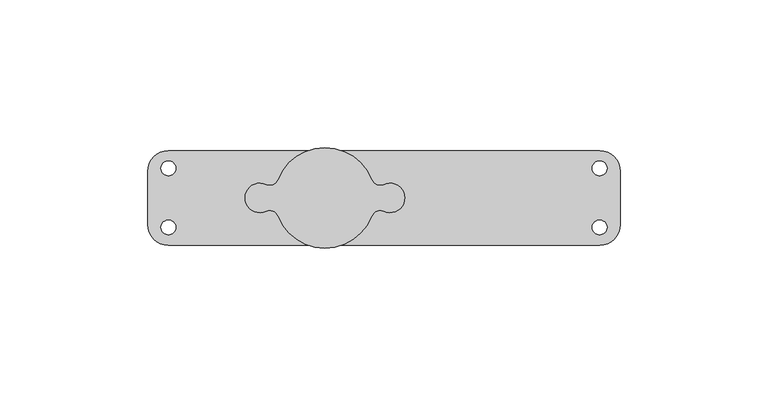
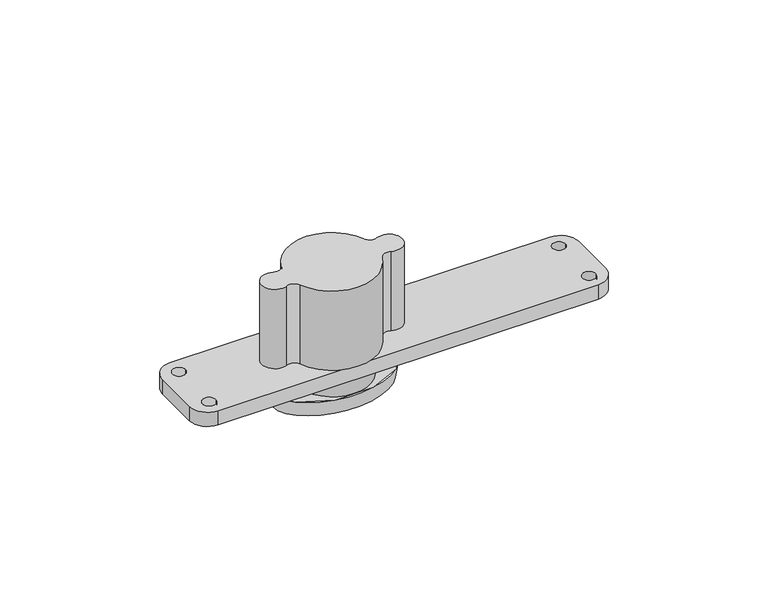
"""IFC4 building model written with IfcOpenShell, lengths in millimetres: proxy geometry."""

from ifc_helpers import new_model, si_unit, point, frame, frame_2d, origin, origin_2d, place, context, project, spatial, polyline, circle_curve, ellipse_curve, trimmed, segment, composite_curve, outline, extrude, source, transform, mapped, element, save
from ifc_brep_helpers import plane_surface, cylinder_surface, revolved_surface, spline_surface, advanced_brep


def generic_models_e8420187(model_context):
    return source(origin(), model_context, "Body", "SolidModel", [
        extrude(outline(composite_curve([segment(trimmed(circle_curve(origin_2d(), 14.5), [point((-14.5, 0.0))], [point((14.5, 0.0))], False, "CARTESIAN"), True, "CONTINUOUS"), segment(trimmed(circle_curve(origin_2d(), 14.5), [point((14.5, 0.0))], [point((-14.5, 0.0))], False, "CARTESIAN"), True, "CONTINUOUS")], self_intersect=False)), frame((0.0, 0.0, -6.7), z_axis=(0.0, 0.0, 1.0), x_axis=(1.0, 0.0, 0.0)), (0.0, 0.0, 1.0), 6.7),
        advanced_brep(
        [(-24.0, 0.0, -6.7), (24.0, 0.0, -6.7), (-23.0, 0.0, -12.7), (23.0, 0.0, -12.7)],
        [
            (0, 1, ellipse_curve(frame((0.0, 0.0, -6.7), z_axis=(0.0, 0.0, 1.0), x_axis=(1.0, 0.0, 0.0)), 24.0, 15.5)),
            (1, 0, ellipse_curve(frame((0.0, 0.0, -6.7), z_axis=(0.0, 0.0, 1.0), x_axis=(1.0, 0.0, 0.0)), 24.0, 15.5)),
            (2, 3, ellipse_curve(frame((0.0, 0.0, -12.7), z_axis=(0.0, 0.0, -1.0), x_axis=(1.0, 0.0, 0.0)), 23.0, 14.5)),
            (3, 2, ellipse_curve(frame((0.0, 0.0, -12.7), z_axis=(0.0, 0.0, -1.0), x_axis=(1.0, 0.0, 0.0)), 23.0, 14.5)),
            (3, 1),
            (0, 2),
        ],
        [
            plane_surface(frame((0.0, 0.0, -6.7), z_axis=(0.0, 0.0, 1.0), x_axis=(0.0, -1.0, 0.0))),
            plane_surface(frame((0.0, 0.0, -12.7), z_axis=(0.0, 0.0, -1.0), x_axis=(0.0, -1.0, 0.0))),
            spline_surface(2, 1, [[(-23.0, 0.0, -12.7), (-24.0, 0.0, -6.7)], [(-23.0, -14.5, -12.7), (-24.0, -15.5, -6.7)], [(0.0, -14.5, -12.7), (0.0, -15.5, -6.7)], [(23.0, -14.5, -12.7), (24.0, -15.5, -6.7)], [(23.0, 0.0, -12.7), (24.0, 0.0, -6.7)]], [3, 2, 3], [2, 2], [0.0, 1.0, 2.0], [0.0, 1.0], weights=[[1.0, 1.0], [0.7071067811865476, 0.7071067811865476], [1.0, 1.0], [0.7071067811865476, 0.7071067811865476], [1.0, 1.0]]),
            spline_surface(2, 1, [[(23.0, 0.0, -12.7), (24.0, 0.0, -6.7)], [(23.0, 14.5, -12.7), (24.0, 15.5, -6.7)], [(0.0, 14.5, -12.7), (0.0, 15.5, -6.7)], [(-23.0, 14.5, -12.7), (-24.0, 15.5, -6.7)], [(-23.0, 0.0, -12.7), (-24.0, 0.0, -6.7)]], [3, 2, 3], [2, 2], [0.0, 1.0, 2.0], [0.0, 1.0], weights=[[1.0, 1.0], [0.7071067811865476, 0.7071067811865476], [1.0, 1.0], [0.7071067811865476, 0.7071067811865476], [1.0, 1.0]]),
        ],
        [
            (0, [[1, 2]]),
            (1, [[3, 4]]),
            (2, [[-4, 5, -1, 6]]),
            (3, [[-3, -6, -2, -5]]),
        ],
    ),
        extrude(outline(composite_curve([segment(trimmed(circle_curve(frame_2d((-22.0, 0.0)), 5.0), [point((-19.8977273, -4.536568))], [point((-19.8977273, 4.536568))], False, "CARTESIAN"), True, "CONTINUOUS"), segment(trimmed(circle_curve(frame_2d((-18.6363636, 7.2585088)), 3.0), [point((-19.8977273, 4.536568))], [point((-15.8409091, 6.1697325))], True, "CARTESIAN"), True, "CONTINUOUS"), segment(trimmed(circle_curve(origin_2d(), 17.0), [point((-15.8409091, 6.1697325))], [point((15.8409091, 6.1697325))], False, "CARTESIAN"), True, "CONTINUOUS"), segment(trimmed(circle_curve(frame_2d((18.6363636, 7.2585088)), 3.0), [point((15.8409091, 6.1697325))], [point((19.8977273, 4.536568))], True, "CARTESIAN"), True, "CONTINUOUS"), segment(trimmed(circle_curve(frame_2d((22.0, 0.0)), 5.0), [point((19.8977273, 4.536568))], [point((19.8977273, -4.536568))], False, "CARTESIAN"), True, "CONTINUOUS"), segment(trimmed(circle_curve(frame_2d((18.6363636, -7.2585088)), 3.0), [point((19.8977273, -4.536568))], [point((15.8409091, -6.1697325))], True, "CARTESIAN"), True, "CONTINUOUS"), segment(trimmed(circle_curve(origin_2d(), 17.0), [point((15.8409091, -6.1697325))], [point((-15.8409091, -6.1697325))], False, "CARTESIAN"), True, "CONTINUOUS"), segment(trimmed(circle_curve(frame_2d((-18.6363636, -7.2585088)), 3.0), [point((-15.8409091, -6.1697325))], [point((-19.8977273, -4.536568))], True, "CARTESIAN"), True, "CONTINUOUS")], self_intersect=False)), frame((0.0, 0.0, 5.8), z_axis=(0.0, 0.0, 1.0), x_axis=(1.0, 0.0, 0.0)), (0.0, 0.0, 1.0), 32.2),
        advanced_brep(
        [(-53.0, -16.0, 5.8), (93.0, -16.0, 5.8), (100.0, -9.0, 5.8), (100.0, 9.0, 5.8), (93.0, 16.0, 5.8), (-53.0, 16.0, 5.8), (-60.0, 9.0, 5.8), (-60.0, -9.0, 5.8), (-55.5, -10.0, 5.8), (-50.5, -10.0, 5.8), (-55.5, 10.0, 5.8), (-50.5, 10.0, 5.8), (90.5, 10.0, 5.8), (95.5, 10.0, 5.8), (90.5, -10.0, 5.8), (95.5, -10.0, 5.8), (-53.0, -16.0, 0.0), (-60.0, -9.0, 0.0), (-60.0, 9.0, 0.0), (-53.0, 16.0, 0.0), (93.0, 16.0, 0.0), (100.0, 9.0, 0.0), (100.0, -9.0, 0.0), (93.0, -16.0, 0.0), (-48.5, -10.0, 0.0), (-57.5, -10.0, 0.0), (-48.5, 10.0, 0.0), (-57.5, 10.0, 0.0), (97.5, 10.0, 0.0), (88.5, 10.0, 0.0), (97.5, -10.0, 0.0), (88.5, -10.0, 0.0), (-50.5, -10.0, 2.0), (-55.5, -10.0, 2.0), (-50.5, 10.0, 2.0), (-55.5, 10.0, 2.0), (90.5, 10.0, 2.0), (95.5, 10.0, 2.0), (90.5, -10.0, 2.0), (95.5, -10.0, 2.0)],
        [
            (0, 1),
            (1, 2, circle_curve(frame((93.0, -9.0, 5.8), z_axis=(0.0, 0.0, 1.0), x_axis=(1.0, 0.0, 0.0)), 7.0)),
            (2, 3),
            (3, 4, circle_curve(frame((93.0, 9.0, 5.8), z_axis=(0.0, 0.0, 1.0), x_axis=(1.0, 0.0, 0.0)), 7.0)),
            (4, 5),
            (5, 6, circle_curve(frame((-53.0, 9.0, 5.8), z_axis=(0.0, 0.0, 1.0), x_axis=(1.0, 0.0, 0.0)), 7.0)),
            (6, 7),
            (7, 0, circle_curve(frame((-53.0, -9.0, 5.8), z_axis=(0.0, 0.0, 1.0), x_axis=(1.0, 0.0, 0.0)), 7.0)),
            (8, 9, circle_curve(frame((-53.0, -10.0, 5.8), z_axis=(0.0, 0.0, -1.0), x_axis=(-1.0, 0.0, 0.0)), 2.5)),
            (9, 8, circle_curve(frame((-53.0, -10.0, 5.8), z_axis=(0.0, 0.0, -1.0), x_axis=(-1.0, 0.0, 0.0)), 2.5)),
            (10, 11, circle_curve(frame((-53.0, 10.0, 5.8), z_axis=(0.0, 0.0, -1.0), x_axis=(-1.0, 0.0, 0.0)), 2.5)),
            (11, 10, circle_curve(frame((-53.0, 10.0, 5.8), z_axis=(0.0, 0.0, -1.0), x_axis=(-1.0, 0.0, 0.0)), 2.5)),
            (12, 13, circle_curve(frame((93.0, 10.0, 5.8), z_axis=(0.0, 0.0, -1.0), x_axis=(1.0, 0.0, 0.0)), 2.5)),
            (13, 12, circle_curve(frame((93.0, 10.0, 5.8), z_axis=(0.0, 0.0, -1.0), x_axis=(1.0, 0.0, 0.0)), 2.5)),
            (14, 15, circle_curve(frame((93.0, -10.0, 5.8), z_axis=(0.0, 0.0, -1.0), x_axis=(1.0, 0.0, 0.0)), 2.5)),
            (15, 14, circle_curve(frame((93.0, -10.0, 5.8), z_axis=(0.0, 0.0, -1.0), x_axis=(1.0, 0.0, 0.0)), 2.5)),
            (16, 17, circle_curve(frame((-53.0, -9.0, 0.0), z_axis=(0.0, 0.0, -1.0), x_axis=(1.0, 0.0, 0.0)), 7.0)),
            (17, 18),
            (18, 19, circle_curve(frame((-53.0, 9.0, 0.0), z_axis=(0.0, 0.0, -1.0), x_axis=(1.0, 0.0, 0.0)), 7.0)),
            (19, 20),
            (20, 21, circle_curve(frame((93.0, 9.0, 0.0), z_axis=(0.0, 0.0, -1.0), x_axis=(1.0, 0.0, 0.0)), 7.0)),
            (21, 22),
            (22, 23, circle_curve(frame((93.0, -9.0, 0.0), z_axis=(0.0, 0.0, -1.0), x_axis=(1.0, 0.0, 0.0)), 7.0)),
            (23, 16),
            (24, 25, circle_curve(frame((-53.0, -10.0, 0.0), z_axis=(0.0, 0.0, 1.0), x_axis=(-1.0, 0.0, 0.0)), 4.5)),
            (25, 24, circle_curve(frame((-53.0, -10.0, 0.0), z_axis=(0.0, 0.0, 1.0), x_axis=(-1.0, 0.0, 0.0)), 4.5)),
            (26, 27, circle_curve(frame((-53.0, 10.0, 0.0), z_axis=(0.0, 0.0, 1.0), x_axis=(-1.0, 0.0, 0.0)), 4.5)),
            (27, 26, circle_curve(frame((-53.0, 10.0, 0.0), z_axis=(0.0, 0.0, 1.0), x_axis=(-1.0, 0.0, 0.0)), 4.5)),
            (28, 29, circle_curve(frame((93.0, 10.0, 0.0), z_axis=(0.0, 0.0, 1.0), x_axis=(1.0, 0.0, 0.0)), 4.5)),
            (29, 28, circle_curve(frame((93.0, 10.0, 0.0), z_axis=(0.0, 0.0, 1.0), x_axis=(1.0, 0.0, 0.0)), 4.5)),
            (30, 31, circle_curve(frame((93.0, -10.0, 0.0), z_axis=(0.0, 0.0, 1.0), x_axis=(1.0, 0.0, 0.0)), 4.5)),
            (31, 30, circle_curve(frame((93.0, -10.0, 0.0), z_axis=(0.0, 0.0, 1.0), x_axis=(1.0, 0.0, 0.0)), 4.5)),
            (0, 16),
            (23, 1),
            (22, 2),
            (21, 3),
            (20, 4),
            (19, 5),
            (18, 6),
            (17, 7),
            (24, 32),
            (32, 33, circle_curve(frame((-53.0, -10.0, 2.0), z_axis=(0.0, 0.0, 1.0), x_axis=(-1.0, 0.0, 0.0)), 2.5)),
            (33, 25),
            (33, 32, circle_curve(frame((-53.0, -10.0, 2.0), z_axis=(0.0, 0.0, 1.0), x_axis=(-1.0, 0.0, 0.0)), 2.5)),
            (32, 9),
            (8, 33),
            (26, 34),
            (34, 35, circle_curve(frame((-53.0, 10.0, 2.0), z_axis=(0.0, 0.0, 1.0), x_axis=(-1.0, 0.0, 0.0)), 2.5)),
            (35, 27),
            (35, 34, circle_curve(frame((-53.0, 10.0, 2.0), z_axis=(0.0, 0.0, 1.0), x_axis=(-1.0, 0.0, 0.0)), 2.5)),
            (34, 11),
            (10, 35),
            (36, 29),
            (28, 37),
            (37, 36, circle_curve(frame((93.0, 10.0, 2.0), z_axis=(0.0, 0.0, 1.0), x_axis=(1.0, 0.0, 0.0)), 2.5)),
            (36, 37, circle_curve(frame((93.0, 10.0, 2.0), z_axis=(0.0, 0.0, 1.0), x_axis=(1.0, 0.0, 0.0)), 2.5)),
            (37, 13),
            (12, 36),
            (38, 31),
            (30, 39),
            (39, 38, circle_curve(frame((93.0, -10.0, 2.0), z_axis=(0.0, 0.0, 1.0), x_axis=(1.0, 0.0, 0.0)), 2.5)),
            (38, 39, circle_curve(frame((93.0, -10.0, 2.0), z_axis=(0.0, 0.0, 1.0), x_axis=(1.0, 0.0, 0.0)), 2.5)),
            (39, 15),
            (14, 38),
        ],
        [
            plane_surface(frame((0.0, -16.0, 5.8), z_axis=(0.0, 0.0, 1.0), x_axis=(1.0, 0.0, 0.0))),
            plane_surface(frame((0.0, -16.0, 0.0), z_axis=(0.0, 0.0, -1.0), x_axis=(-1.0, 0.0, 0.0))),
            plane_surface(frame((-53.0, -16.0, 5.8), z_axis=(0.0, -1.0, 0.0), x_axis=(0.0, 0.0, -1.0))),
            cylinder_surface(frame((93.0, -9.0, 0.0), z_axis=(0.0, 0.0, 1.0), x_axis=(1.0, 0.0, 0.0)), 7.0),
            plane_surface(frame((100.0, -9.0, 5.8), z_axis=(1.0, 0.0, 0.0), x_axis=(0.0, 0.0, -1.0))),
            cylinder_surface(frame((93.0, 9.0, 0.0), z_axis=(0.0, 0.0, 1.0), x_axis=(1.0, 0.0, 0.0)), 7.0),
            plane_surface(frame((93.0, 16.0, 5.8), z_axis=(0.0, 1.0, 0.0), x_axis=(0.0, 0.0, -1.0))),
            cylinder_surface(frame((-53.0, 9.0, 0.0), z_axis=(0.0, 0.0, 1.0), x_axis=(1.0, 0.0, 0.0)), 7.0),
            plane_surface(frame((-60.0, 9.0, 5.8), z_axis=(-1.0, 0.0, 0.0), x_axis=(0.0, 0.0, -1.0))),
            cylinder_surface(frame((-53.0, -9.0, 0.0), z_axis=(0.0, 0.0, 1.0), x_axis=(1.0, 0.0, 0.0)), 7.0),
            revolved_surface(polyline([(-57.5, -10.0, 0.0), (-55.5, -10.0, 2.0)]), (-53.0, -10.0, 0.0), (0.0, 0.0, -1.0)),
            revolved_surface(polyline([(-55.5, -10.0, 2.0), (-55.5, -10.0, 5.8)]), (-53.0, -10.0, 0.0), (0.0, 0.0, -1.0)),
            revolved_surface(polyline([(-57.5, 10.0, 0.0), (-55.5, 10.0, 2.0)]), (-53.0, 10.0, 0.0), (0.0, 0.0, -1.0)),
            revolved_surface(polyline([(-55.5, 10.0, 2.0), (-55.5, 10.0, 5.8)]), (-53.0, 10.0, 0.0), (0.0, 0.0, -1.0)),
            revolved_surface(polyline([(95.5, 10.0, 2.0), (97.5, 10.0, 0.0)]), (93.0, 10.0, 0.0), (0.0, 0.0, 1.0)),
            revolved_surface(polyline([(95.5, 10.0, 5.8), (95.5, 10.0, 2.0)]), (93.0, 10.0, 0.0), (0.0, 0.0, 1.0)),
            revolved_surface(polyline([(95.5, -10.0, 2.0), (97.5, -10.0, 0.0)]), (93.0, -10.0, 0.0), (0.0, 0.0, 1.0)),
            revolved_surface(polyline([(95.5, -10.0, 5.8), (95.5, -10.0, 2.0)]), (93.0, -10.0, 0.0), (0.0, 0.0, 1.0)),
        ],
        [
            (0, [[1, 2, 3, 4, 5, 6, 7, 8], [9, 10], [11, 12], [13, 14], [15, 16]]),
            (1, [[17, 18, 19, 20, 21, 22, 23, 24], [25, 26], [27, 28], [29, 30], [31, 32]]),
            (2, [[-1, 33, -24, 34]]),
            (3, [[-2, -34, -23, 35]]),
            (4, [[-3, -35, -22, 36]]),
            (5, [[-4, -36, -21, 37]]),
            (6, [[-5, -37, -20, 38]]),
            (7, [[-6, -38, -19, 39]]),
            (8, [[-7, -39, -18, 40]]),
            (9, [[-8, -40, -17, -33]]),
            (10, [[41, 42, 43, -25]]),
            (10, [[-41, -26, -43, 44]]),
            (11, [[-42, 45, -9, 46]]),
            (11, [[-44, -46, -10, -45]]),
            (12, [[47, 48, 49, -27]]),
            (12, [[-47, -28, -49, 50]]),
            (13, [[-48, 51, -11, 52]]),
            (13, [[-50, -52, -12, -51]]),
            (14, [[53, -29, 54, 55]]),
            (14, [[-53, 56, -54, -30]]),
            (15, [[-55, 57, -13, 58]]),
            (15, [[-56, -58, -14, -57]]),
            (16, [[59, -31, 60, 61]]),
            (16, [[-59, 62, -60, -32]]),
            (17, [[-61, 63, -15, 64]]),
            (17, [[-62, -64, -16, -63]]),
        ],
    ),
    ])


if __name__ == "__main__":
    model = new_model("IFC4")
    model_context = context("Model", 3, world=origin())
    ifc_project = project(units=[si_unit("LENGTHUNIT", "METRE", prefix="MILLI")], contexts=[model_context])
    site = spatial("IfcSite", under=ifc_project)
    building = spatial("IfcBuilding", under=site)
    placement = place(None, origin())
    generic_models_shape = generic_models_e8420187(model_context)
    element("IfcBuildingElementProxy", 1, Name="Generic Models", at=placement, inside=building, context=model_context, shape_type="MappedRepresentation", body=[
        mapped(generic_models_shape, transform((0.0, 0.0, 0.0), x_axis=(1.0, 0.0, 0.0), y_axis=(0.0, 1.0, 0.0), z_axis=(0.0, 0.0, 1.0))),
    ])
    save(model, "model.ifc")
